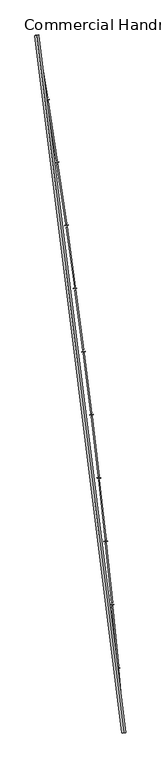
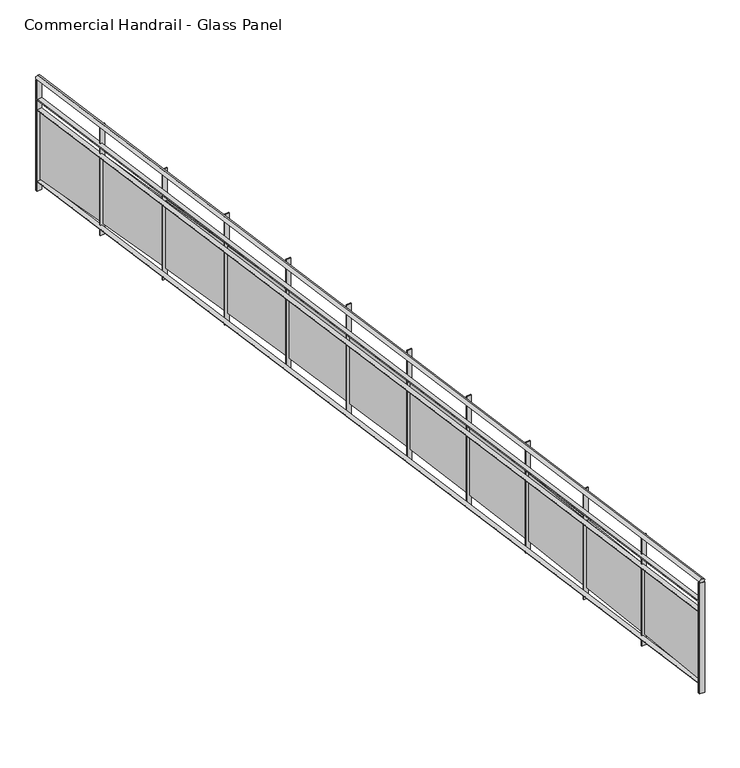
"""IFC4 building model written with IfcOpenShell, lengths in millimetres: railing geometry, Commercial Handrail - Glass Panel."""

from ifc_helpers import new_model, si_unit, point, frame, origin, place, context, project, spatial, polyline, circle_curve, ellipse_curve, trimmed, outline, extrude, source, transform, mapped, element, save
from ifc_brep_helpers import plane_surface, cylinder_surface, revolved_surface, advanced_brep


def commercial_handrail_glass_panel_d2456b96(model_context):
    return source(origin(), model_context, "Body", "SolidModel", [
        advanced_brep(
        [(155415.1518736, -49813.1101198, 16282.5), (156507.3198577, -58575.9102119, 16282.5), (156507.3198577, -58575.9102119, 16317.5), (155415.1518736, -49813.1101198, 16317.5)],
        [
            (0, 1, circle_curve(frame((49774.785812, -67429.2570352, 16282.5), z_axis=(0.0, 0.0, -1.0), x_axis=(0.9965773914870409, 0.08266500333808188, 0.0)), 107099.0923108)),
            (1, 2, ellipse_curve(frame((156507.3198577, -58575.9102119, 16300.0), z_axis=(-0.08266500333808835, 0.9965773914870406, 0.0), x_axis=(0.9965773914870404, 0.08266500333808834, 0.0)), 25.0, 17.5)),
            (2, 3, circle_curve(frame((49774.785812, -67429.2570352, 16317.5), z_axis=(0.0, 0.0, 1.0), x_axis=(0.9965773914870409, 0.08266500333808188, 0.0)), 107099.0923108)),
            (3, 0, ellipse_curve(frame((155415.1518736, -49813.1101198, 16300.0), z_axis=(0.16448455850891983, -0.9863796581500077, 0.0), x_axis=(0.9863796581500075, 0.1644845585089198, 0.0)), 25.0, 17.5)),
            (2, 1, ellipse_curve(frame((156507.3198577, -58575.9102119, 16300.0), z_axis=(-0.08266500333808835, 0.9965773914870406, 0.0), x_axis=(0.9965773914870404, 0.08266500333808834, 0.0)), 25.0, 17.5)),
            (0, 3, ellipse_curve(frame((155415.1518736, -49813.1101198, 16300.0), z_axis=(0.16448455850891983, -0.9863796581500077, 0.0), x_axis=(0.9863796581500075, 0.1644845585089198, 0.0)), 25.0, 17.5)),
        ],
        [
            revolved_surface(trimmed(ellipse_curve(frame((156507.3198577, -58575.9102119, 16300.0), z_axis=(0.08266500333808188, -0.9965773914870409, 0.0), x_axis=(0.0, 0.0, -1.0)), 17.5, 25.0), [point((156507.3198577, -58575.9102119, 16317.5))], [point((156507.3198577, -58575.9102119, 16282.5))], True, "CARTESIAN"), (49774.785812, -67429.2570352, 16300.0), (0.0, 0.0, 1.0)),
            revolved_surface(trimmed(ellipse_curve(frame((156507.3198577, -58575.9102119, 16300.0), z_axis=(0.08266500333808188, -0.9965773914870409, 0.0), x_axis=(0.0, 0.0, -1.0)), 17.5, 25.0), [point((156507.3198577, -58575.9102119, 16282.5))], [point((156507.3198577, -58575.9102119, 16317.5))], True, "CARTESIAN"), (49774.785812, -67429.2570352, 16300.0), (0.0, 0.0, 1.0)),
            plane_surface(frame((156507.3198577, -58575.9102119, 16300.0), z_axis=(0.08266500333808188, -0.9965773914870409, 0.0), x_axis=(0.9965773914870409, 0.08266500333808188, 0.0))),
            plane_surface(frame((155415.1518736, -49813.1101198, 16300.0), z_axis=(-0.16448455850891983, 0.9863796581500076, 0.0), x_axis=(0.9863796581500076, 0.16448455850891983, 0.0))),
        ],
        [
            (0, [[1, 2, 3, 4]]),
            (1, [[-3, 5, -1, 6]]),
            (2, [[-2, -5]]),
            (3, [[-6, -4]]),
        ],
    ),
        advanced_brep(
        [(155392.9583313, -49816.8110224, 16100.0), (156484.8968663, -58577.7701744, 16100.0), (156529.742849, -58574.0502493, 16100.0), (155437.3454159, -49809.4092172, 16100.0), (155392.9583313, -49816.8110224, 16094.0), (156484.8968663, -58577.7701744, 16094.0), (155437.3454159, -49809.4092172, 16094.0), (156529.742849, -58574.0502493, 16094.0)],
        [
            (0, 1, circle_curve(frame((49774.785812, -67429.2570352, 16100.0), z_axis=(0.0, 0.0, -1.0), x_axis=(0.9965773914870409, 0.08266500333808188, 0.0)), 107076.5923108)),
            (1, 2),
            (2, 3, circle_curve(frame((49774.785812, -67429.2570352, 16100.0), z_axis=(0.0, 0.0, 1.0), x_axis=(0.9965773914870409, 0.08266500333808188, 0.0)), 107121.5923108)),
            (3, 0),
            (4, 5, circle_curve(frame((49774.785812, -67429.2570352, 16094.0), z_axis=(0.0, 0.0, -1.0), x_axis=(0.9965773914870409, 0.08266500333808188, 0.0)), 107076.5923108)),
            (5, 1),
            (0, 4),
            (6, 7, circle_curve(frame((49774.785812, -67429.2570352, 16094.0), z_axis=(0.0, 0.0, -1.0), x_axis=(0.9965773914870409, 0.08266500333808188, 0.0)), 107121.5923108)),
            (7, 5),
            (4, 6),
            (2, 7),
            (6, 3),
        ],
        [
            plane_surface(frame((49774.785812, -67429.2570352, 16100.0), z_axis=(0.0, 0.0, 1.0), x_axis=(0.9965773914870409, 0.08266500333808188, 0.0))),
            revolved_surface(polyline([(156484.89686641842, -58577.77017439729, 16100.0), (156484.89686641842, -58577.77017439729, 16094.0)]), (49774.785812, -67429.2570352, 16100.0), (0.0, 0.0, 1.0)),
            plane_surface(frame((49774.785812, -67429.2570352, 16094.0), z_axis=(0.0, 0.0, -1.0), x_axis=(0.9965773914870409, 0.08266500333808188, 0.0))),
            cylinder_surface(frame((49774.785812, -67429.2570352, 16100.0), z_axis=(0.0, 0.0, 1.0), x_axis=(0.9965773914870409, 0.08266500333808188, 0.0)), 107121.5923108),
            plane_surface(frame((156507.3198577, -58575.9102119, 16100.0), z_axis=(0.08266500333808188, -0.9965773914870409, 0.0), x_axis=(0.9965773914870409, 0.08266500333808188, 0.0))),
            plane_surface(frame((155415.1518736, -49813.1101198, 16100.0), z_axis=(-0.16448455850891983, 0.9863796581500076, 0.0), x_axis=(0.9863796581500076, 0.16448455850891983, 0.0))),
        ],
        [
            (0, [[1, 2, 3, 4]]),
            (1, [[5, 6, -1, 7]]),
            (2, [[8, 9, -5, 10]]),
            (3, [[-3, 11, -8, 12]]),
            (4, [[-2, -6, -9, -11]]),
            (5, [[-12, -10, -7, -4]]),
        ],
    ),
        advanced_brep(
        [(155392.9583313, -49816.8110224, 16000.0), (156484.8968663, -58577.7701744, 16000.0), (156529.742849, -58574.0502493, 16000.0), (155437.3454159, -49809.4092172, 16000.0), (155392.9583313, -49816.8110224, 15994.0), (156484.8968663, -58577.7701744, 15994.0), (155437.3454159, -49809.4092172, 15994.0), (156529.742849, -58574.0502493, 15994.0)],
        [
            (0, 1, circle_curve(frame((49774.785812, -67429.2570352, 16000.0), z_axis=(0.0, 0.0, -1.0), x_axis=(0.9965773914870409, 0.08266500333808188, 0.0)), 107076.5923108)),
            (1, 2),
            (2, 3, circle_curve(frame((49774.785812, -67429.2570352, 16000.0), z_axis=(0.0, 0.0, 1.0), x_axis=(0.9965773914870409, 0.08266500333808188, 0.0)), 107121.5923108)),
            (3, 0),
            (4, 5, circle_curve(frame((49774.785812, -67429.2570352, 15994.0), z_axis=(0.0, 0.0, -1.0), x_axis=(0.9965773914870409, 0.08266500333808188, 0.0)), 107076.5923108)),
            (5, 1),
            (0, 4),
            (6, 7, circle_curve(frame((49774.785812, -67429.2570352, 15994.0), z_axis=(0.0, 0.0, -1.0), x_axis=(0.9965773914870409, 0.08266500333808188, 0.0)), 107121.5923108)),
            (7, 5),
            (4, 6),
            (2, 7),
            (6, 3),
        ],
        [
            plane_surface(frame((49774.785812, -67429.2570352, 16000.0), z_axis=(0.0, 0.0, 1.0), x_axis=(0.9965773914870409, 0.08266500333808188, 0.0))),
            revolved_surface(polyline([(156484.89686641842, -58577.77017439729, 16000.0), (156484.89686641842, -58577.77017439729, 15994.0)]), (49774.785812, -67429.2570352, 16000.0), (0.0, 0.0, 1.0)),
            plane_surface(frame((49774.785812, -67429.2570352, 15994.0), z_axis=(0.0, 0.0, -1.0), x_axis=(0.9965773914870409, 0.08266500333808188, 0.0))),
            cylinder_surface(frame((49774.785812, -67429.2570352, 16000.0), z_axis=(0.0, 0.0, 1.0), x_axis=(0.9965773914870409, 0.08266500333808188, 0.0)), 107121.5923108),
            plane_surface(frame((156507.3198577, -58575.9102119, 16000.0), z_axis=(0.08266500333808188, -0.9965773914870409, 0.0), x_axis=(0.9965773914870409, 0.08266500333808188, 0.0))),
            plane_surface(frame((155415.1518736, -49813.1101198, 16000.0), z_axis=(-0.16448455850891983, 0.9863796581500076, 0.0), x_axis=(0.9863796581500076, 0.16448455850891983, 0.0))),
        ],
        [
            (0, [[1, 2, 3, 4]]),
            (1, [[5, 6, -1, 7]]),
            (2, [[8, 9, -5, 10]]),
            (3, [[-3, 11, -8, 12]]),
            (4, [[-2, -6, -9, -11]]),
            (5, [[-12, -10, -7, -4]]),
        ],
    ),
        advanced_brep(
        [(155392.9583313, -49816.8110224, 15300.0), (156484.8968663, -58577.7701744, 15300.0), (156529.742849, -58574.0502493, 15300.0), (155437.3454159, -49809.4092172, 15300.0), (155392.9583313, -49816.8110224, 15294.0), (156484.8968663, -58577.7701744, 15294.0), (155437.3454159, -49809.4092172, 15294.0), (156529.742849, -58574.0502493, 15294.0)],
        [
            (0, 1, circle_curve(frame((49774.785812, -67429.2570352, 15300.0), z_axis=(0.0, 0.0, -1.0), x_axis=(0.9965773914870409, 0.08266500333808188, 0.0)), 107076.5923108)),
            (1, 2),
            (2, 3, circle_curve(frame((49774.785812, -67429.2570352, 15300.0), z_axis=(0.0, 0.0, 1.0), x_axis=(0.9965773914870409, 0.08266500333808188, 0.0)), 107121.5923108)),
            (3, 0),
            (4, 5, circle_curve(frame((49774.785812, -67429.2570352, 15294.0), z_axis=(0.0, 0.0, -1.0), x_axis=(0.9965773914870409, 0.08266500333808188, 0.0)), 107076.5923108)),
            (5, 1),
            (0, 4),
            (6, 7, circle_curve(frame((49774.785812, -67429.2570352, 15294.0), z_axis=(0.0, 0.0, -1.0), x_axis=(0.9965773914870409, 0.08266500333808188, 0.0)), 107121.5923108)),
            (7, 5),
            (4, 6),
            (2, 7),
            (6, 3),
        ],
        [
            plane_surface(frame((49774.785812, -67429.2570352, 15300.0), z_axis=(0.0, 0.0, 1.0), x_axis=(0.9965773914870409, 0.08266500333808188, 0.0))),
            revolved_surface(polyline([(156484.89686641842, -58577.77017439729, 15300.0), (156484.89686641842, -58577.77017439729, 15294.0)]), (49774.785812, -67429.2570352, 15300.0), (0.0, 0.0, 1.0)),
            plane_surface(frame((49774.785812, -67429.2570352, 15294.0), z_axis=(0.0, 0.0, -1.0), x_axis=(0.9965773914870409, 0.08266500333808188, 0.0))),
            cylinder_surface(frame((49774.785812, -67429.2570352, 15300.0), z_axis=(0.0, 0.0, 1.0), x_axis=(0.9965773914870409, 0.08266500333808188, 0.0)), 107121.5923108),
            plane_surface(frame((156507.3198577, -58575.9102119, 15300.0), z_axis=(0.08266500333808188, -0.9965773914870409, 0.0), x_axis=(0.9965773914870409, 0.08266500333808188, 0.0))),
            plane_surface(frame((155415.1518736, -49813.1101198, 15300.0), z_axis=(-0.16448455850891983, 0.9863796581500076, 0.0), x_axis=(0.9863796581500076, 0.16448455850891983, 0.0))),
        ],
        [
            (0, [[1, 2, 3, 4]]),
            (1, [[5, 6, -1, 7]]),
            (2, [[8, 9, -5, 10]]),
            (3, [[-3, 11, -8, 12]]),
            (4, [[-2, -6, -9, -11]]),
            (5, [[-12, -10, -7, -4]]),
        ],
    ),
        extrude(outline(polyline([(155440.5602167, -49828.6983042), (155396.1719887, -49836.0932495), (155395.185996, -49830.1748191), (155439.574224, -49822.7798738), (155440.5602167, -49828.6983042)])), frame((0.0, 0.0, 15200.0), z_axis=(0.0, 0.0, 1.0), x_axis=(1.0, 0.0, 0.0)), (0.0, 0.0, 1.0), 1082.1192282),
        extrude(outline(polyline([(155537.9927324, -50600.148842), (155415.9010924, -49850.0197655), (155427.7452357, -49848.0920027), (155549.8368757, -50598.2210792), (155537.9927324, -50600.148842)])), frame((0.0, 0.0, 15320.0), z_axis=(0.0, 0.0, 1.0), x_axis=(1.0, 0.0, 0.0)), (0.0, 0.0, 1.0), 660.0),
        extrude(outline(polyline([(155569.0823153, -50618.4755081), (155524.640088, -50625.5386825), (155523.6983314, -50619.6130522), (155568.1405587, -50612.5498778), (155569.0823153, -50618.4755081)])), frame((0.0, 0.0, 15200.0), z_axis=(0.0, 0.0, 1.0), x_axis=(1.0, 0.0, 0.0)), (0.0, 0.0, 1.0), 1082.1192282),
        extrude(outline(polyline([(155660.7496486, -51390.6323103), (155544.2646152, -50639.6121795), (155556.1228277, -50637.7729421), (155672.6078612, -51388.793073), (155660.7496486, -51390.6323103)])), frame((0.0, 0.0, 15320.0), z_axis=(0.0, 0.0, 1.0), x_axis=(1.0, 0.0, 0.0)), (0.0, 0.0, 1.0), 660.0),
        extrude(outline(polyline([(155691.7014704, -51409.1906934), (155647.2077235, -51415.921703), (155646.3102556, -51409.9892034), (155690.8040025, -51403.2581938), (155691.7014704, -51409.1906934)])), frame((0.0, 0.0, 15200.0), z_axis=(0.0, 0.0, 1.0), x_axis=(1.0, 0.0, 0.0)), (0.0, 0.0, 1.0), 1082.1192282),
        extrude(outline(polyline([(155777.5985065, -52182.0106766), (155666.7265791, -51430.1413956), (155678.5981993, -51428.3907863), (155789.4701268, -52180.2600673), (155777.5985065, -52182.0106766)])), frame((0.0, 0.0, 15320.0), z_axis=(0.0, 0.0, 1.0), x_axis=(1.0, 0.0, 0.0)), (0.0, 0.0, 1.0), 660.0),
        extrude(outline(polyline([(155808.4108402, -52200.7997412), (155763.8680564, -52207.1982104), (155763.0149272, -52201.2591725), (155807.557711, -52194.8607033), (155808.4108402, -52200.7997412)])), frame((0.0, 0.0, 15200.0), z_axis=(0.0, 0.0, 1.0), x_axis=(1.0, 0.0, 0.0)), (0.0, 0.0, 1.0), 1082.1192282),
        extrude(outline(polyline([(155888.5327865, -52974.2397848), (155783.2801513, -52221.5633053), (155795.1645168, -52219.9014216), (155900.4171519, -52972.5779011), (155888.5327865, -52974.2397848)])), frame((0.0, 0.0, 15320.0), z_axis=(0.0, 0.0, 1.0), x_axis=(1.0, 0.0, 0.0)), (0.0, 0.0, 1.0), 660.0),
        extrude(outline(polyline([(155919.2039129, -52993.2584824), (155874.6145774, -52999.3240542), (155873.8058345, -52993.3788094), (155918.39517, -52987.3132377), (155919.2039129, -52993.2584824)])), frame((0.0, 0.0, 15200.0), z_axis=(0.0, 0.0, 1.0), x_axis=(1.0, 0.0, 0.0)), (0.0, 0.0, 1.0), 1082.1192282),
        extrude(outline(polyline([(155993.5462987, -53767.2754312), (155893.9188285, -53013.8337498), (155905.8152761, -53012.2606845), (156005.4427463, -53765.7023659), (155993.5462987, -53767.2754312)])), frame((0.0, 0.0, 15320.0), z_axis=(0.0, 0.0, 1.0), x_axis=(1.0, 0.0, 0.0)), (0.0, 0.0, 1.0), 660.0),
        extrude(outline(polyline([(156024.0745064, -53786.5227008), (155979.4411072, -53792.2550367), (155978.6767957, -53786.3039168), (156023.3101949, -53780.5715809), (156024.0745064, -53786.5227008)])), frame((0.0, 0.0, 15200.0), z_axis=(0.0, 0.0, 1.0), x_axis=(1.0, 0.0, 0.0)), (0.0, 0.0, 1.0), 1082.1192282),
        extrude(outline(polyline([(156092.6331838, -54561.0733673), (155998.6364375, -53806.9085235), (156010.5443034, -53805.4243644), (156104.5410497, -54559.5892082), (156092.6331838, -54561.0733673)])), frame((0.0, 0.0, 15320.0), z_axis=(0.0, 0.0, 1.0), x_axis=(1.0, 0.0, 0.0)), (0.0, 0.0, 1.0), 660.0),
        extrude(outline(polyline([(156123.0167695, -54580.548135), (156078.3417969, -54585.9469151), (156077.6219596, -54579.9902521), (156122.2969321, -54574.591472), (156123.0167695, -54580.548135)])), frame((0.0, 0.0, 15200.0), z_axis=(0.0, 0.0, 1.0), x_axis=(1.0, 0.0, 0.0)), (0.0, 0.0, 1.0), 1082.1192282),
        extrude(outline(polyline([(156185.787913, -55355.5893021), (156097.4271353, -54600.7433755), (156109.3457552, -54599.3482053), (156197.7065329, -55354.194132), (156185.787913, -55355.5893021)])), frame((0.0, 0.0, 15320.0), z_axis=(0.0, 0.0, 1.0), x_axis=(1.0, 0.0, 0.0)), (0.0, 0.0, 1.0), 660.0),
        extrude(outline(polyline([(156216.0251814, -55375.2904812), (156171.3111282, -55380.3554043), (156170.6358051, -55374.3935306), (156215.3498583, -55369.3286074), (156216.0251814, -55375.2904812)])), frame((0.0, 0.0, 15200.0), z_axis=(0.0, 0.0, 1.0), x_axis=(1.0, 0.0, 0.0)), (0.0, 0.0, 1.0), 1082.1192282),
        extrude(outline(polyline([(156273.0052888, -56150.7789044), (156190.2854098, -55395.2940127), (156202.2141186, -55393.9879094), (156284.9339976, -56149.4728011), (156273.0052888, -56150.7789044)])), frame((0.0, 0.0, 15320.0), z_axis=(0.0, 0.0, 1.0), x_axis=(1.0, 0.0, 0.0)), (0.0, 0.0, 1.0), 660.0),
        extrude(outline(polyline([(156303.0945527, -56170.7053956), (156258.3439138, -56175.4361792), (156257.7131426, -56169.4694274), (156302.4637816, -56164.7386437), (156303.0945527, -56170.7053956)])), frame((0.0, 0.0, 15200.0), z_axis=(0.0, 0.0, 1.0), x_axis=(1.0, 0.0, 0.0)), (0.0, 0.0, 1.0), 1082.1192282),
        extrude(outline(polyline([(156354.2804446, -56946.5978055), (156277.2060799, -56190.5161021), (156289.144212, -56189.2991384), (156366.2185768, -56945.3808418), (156354.2804446, -56946.5978055)])), frame((0.0, 0.0, 15320.0), z_axis=(0.0, 0.0, 1.0), x_axis=(1.0, 0.0, 0.0)), (0.0, 0.0, 1.0), 660.0),
        extrude(outline(polyline([(156384.2200253, -56966.748497), (156339.4352975, -56971.1448771), (156338.8491135, -56965.17358), (156383.6338412, -56960.7771999), (156384.2200253, -56966.748497)])), frame((0.0, 0.0, 15200.0), z_axis=(0.0, 0.0, 1.0), x_axis=(1.0, 0.0, 0.0)), (0.0, 0.0, 1.0), 1082.1192282),
        extrude(outline(polyline([(156429.6088457, -57743.0016015), (156358.1842956, -56986.3652729), (156370.131185, -56985.2375169), (156441.5557351, -57741.8738454), (156429.6088457, -57743.0016015)])), frame((0.0, 0.0, 15320.0), z_axis=(0.0, 0.0, 1.0), x_axis=(1.0, 0.0, 0.0)), (0.0, 0.0, 1.0), 660.0),
        extrude(outline(polyline([(156459.3970725, -57763.3753689), (156414.5807547, -57767.4371002), (156414.0391905, -57761.4615912), (156458.8555083, -57757.3998599), (156459.3970725, -57763.3753689)])), frame((0.0, 0.0, 15200.0), z_axis=(0.0, 0.0, 1.0), x_axis=(1.0, 0.0, 0.0)), (0.0, 0.0, 1.0), 1082.1192282),
        extrude(outline(polyline([(156498.9862889, -58539.9458559), (156433.2155387, -57782.7971199), (156445.1705188, -57781.7586343), (156510.9412689, -58538.9073703), (156498.9862889, -58539.9458559)])), frame((0.0, 0.0, 15320.0), z_axis=(0.0, 0.0, 1.0), x_axis=(1.0, 0.0, 0.0)), (0.0, 0.0, 1.0), 660.0),
        extrude(outline(polyline([(156528.6214998, -58560.5415625), (156483.7760926, -58564.2684183), (156483.2791785, -58558.2890307), (156528.1245856, -58554.5621749), (156528.6214998, -58560.5415625)])), frame((0.0, 0.0, 15200.0), z_axis=(0.0, 0.0, 1.0), x_axis=(1.0, 0.0, 0.0)), (0.0, 0.0, 1.0), 1082.1192282),
        extrude(outline(polyline([(155437.8388696, -49812.3683562), (155393.451785, -49819.7701613), (155392.4648776, -49813.8518834), (155436.8519623, -49806.4500783), (155437.8388696, -49812.3683562)])), frame((0.0, 0.0, 15200.0), z_axis=(0.0, 0.0, 1.0), x_axis=(1.0, 0.0, 0.0)), (0.0, 0.0, 1.0), 1082.1192282),
        extrude(outline(polyline([(156529.990844, -58577.0399815), (156485.1448614, -58580.7599066), (156484.6488713, -58574.7804423), (156529.494854, -58571.0605171), (156529.990844, -58577.0399815)])), frame((0.0, 0.0, 15200.0), z_axis=(0.0, 0.0, 1.0), x_axis=(1.0, 0.0, 0.0)), (0.0, 0.0, 1.0), 1082.1192282),
    ])


if __name__ == "__main__":
    model = new_model("IFC4")
    model_context = context("Model", 3, world=origin())
    ifc_project = project(units=[si_unit("LENGTHUNIT", "METRE", prefix="MILLI")], contexts=[model_context])
    site = spatial("IfcSite", under=ifc_project)
    building = spatial("IfcBuilding", under=site)
    placement = place(None, origin())
    commercial_handrail_glass_panel_shape = commercial_handrail_glass_panel_d2456b96(model_context)
    element("IfcRailing", 1, ObjectType="Commercial Handrail - Glass Panel", at=placement, inside=building, context=model_context, shape_type="MappedRepresentation", body=[
        mapped(commercial_handrail_glass_panel_shape, transform((0.0, 0.0, 0.0), x_axis=(1.0, 0.0, 0.0), y_axis=(0.0, 1.0, 0.0), z_axis=(0.0, 0.0, 1.0))),
    ])
    save(model, "model.ifc")
